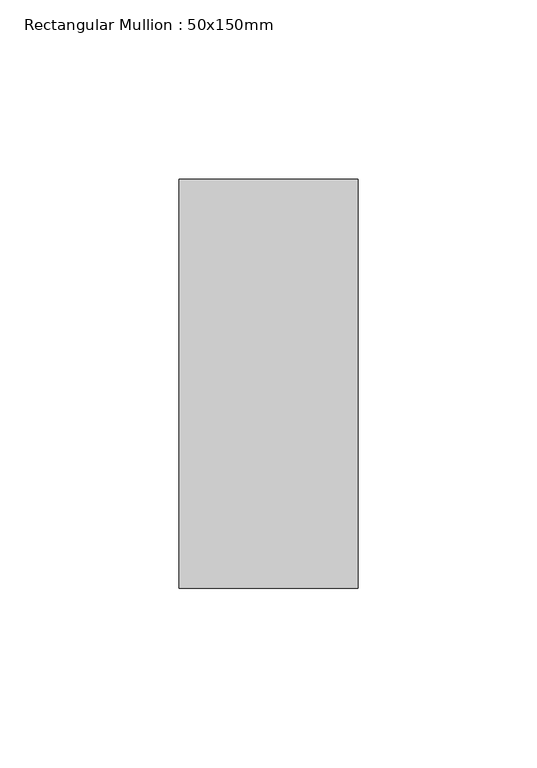
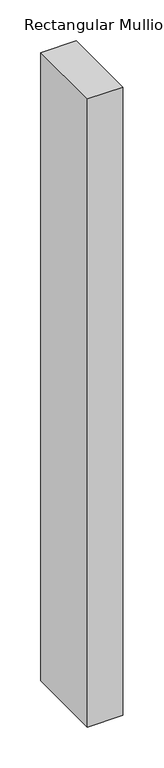
"""IFC4 building model written with IfcOpenShell, lengths in millimetres: member geometry, Rectangular Mullion : 50x150mm."""

from ifc_helpers import new_model, si_unit, frame, origin, place, context, project, spatial, polyline, outline, extrude, source, transform, mapped, element, save


def rectangular_mullion_50x150mm_f83d8da2(model_context):
    return source(origin(), model_context, "Body", "SweptSolid", [
        extrude(outline(polyline([(0.0, 57.15), (0.0, -57.15), (-50.0, -57.15), (-50.0, 57.15), (0.0, 57.15)])), frame((0.0, 0.0, -939.8), z_axis=(0.0, 0.0, 1.0), x_axis=(1.0, 0.0, 0.0)), (0.0, 0.0, 1.0), 939.8),
    ])


if __name__ == "__main__":
    model = new_model("IFC4")
    model_context = context("Model", 3, world=origin())
    ifc_project = project(units=[si_unit("LENGTHUNIT", "METRE", prefix="MILLI")], contexts=[model_context])
    site = spatial("IfcSite", under=ifc_project)
    building = spatial("IfcBuilding", under=site)
    placement = place(None, origin())
    rectangular_mullion_50x150mm_shape = rectangular_mullion_50x150mm_f83d8da2(model_context)
    element("IfcMember", 1, ObjectType="Rectangular Mullion : 50x150mm", at=placement, inside=building, context=model_context, shape_type="MappedRepresentation", body=[
        mapped(rectangular_mullion_50x150mm_shape, transform((0.0, 0.0, 0.0), x_axis=(1.0, 0.0, 0.0), y_axis=(0.0, 1.0, 0.0), z_axis=(0.0, 0.0, 1.0))),
    ])
    save(model, "model.ifc")
